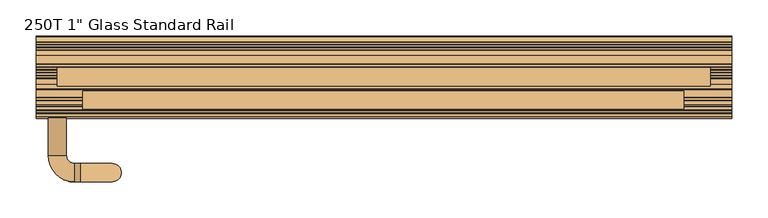
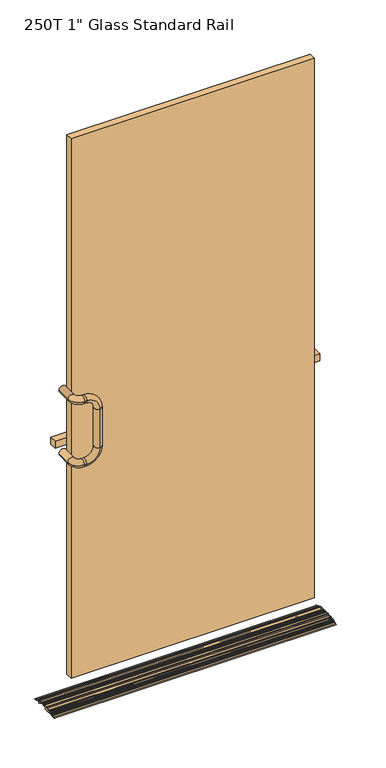
"""IFC4 building model written with IfcOpenShell, lengths in millimetres: door geometry."""

from ifc_helpers import new_model, si_unit, point, frame, origin, place, context, project, spatial, polyline, circle_curve, ellipse_curve, trimmed, outline, extrude, source, transform, mapped, element, save
from ifc_brep_helpers import plane_surface, cylinder_surface, revolved_surface, advanced_brep


def door_1f6f8809(model_context):
    return source(origin(), model_context, "Body", "SolidModel", [
        advanced_brep(
        [(482.6, -56.0018773, 3.232503), (482.6, -57.8173069, 0.00297), (482.6, -52.9111102, 0.6605015), (482.6, -52.9111102, 1.6039432), (482.6, -46.965502, 4.3301985), (482.6, -45.8499102, 3.6144549), (482.6, -45.8499102, 0.0), (482.6, -43.0813102, 0.0), (482.6, -43.0813102, 4.2226083), (482.6, -41.3543822, 3.5815015), (482.6, -39.1697102, 3.5815015), (482.6, -36.7821102, 5.9691015), (482.6, -36.7821102, 8.3567015), (482.6, -33.9472582, 8.3567015), (482.6, -33.2491045, 7.2051859), (482.6, -32.7767326, 3.1751015), (482.6, -27.3254878, 3.1751015), (482.6, -26.8531158, 7.2051859), (482.6, -26.1549621, 8.3567015), (482.6, -23.6757102, 8.3567015), (482.6, -22.8883102, 7.5693015), (482.6, -22.8883102, 0.7875015), (482.6, -22.1009102, 0.0001015), (482.6, -16.5637102, 0.0), (482.6, -16.5637102, 2.7687015), (482.6, -10.2137102, 2.7687015), (482.6, -10.2137102, 0.0), (482.6, -4.6765102, 0.0), (482.6, -3.8891102, 0.7875015), (482.6, -3.8891102, 8.3567015), (482.6, -3.1017102, 9.1441015), (482.6, 2.8752689, 9.1441015), (482.6, 3.6626689, 9.9315015), (482.6, 4.7294689, 9.9315015), (482.6, 5.5168689, 9.1441015), (482.6, 10.7270162, 9.1441015), (482.6, 11.5144162, 9.9315015), (482.6, 12.5812162, 9.9315015), (482.6, 13.3686162, 9.1441015), (482.6, 18.5787635, 9.1441015), (482.6, 19.3661635, 9.9315015), (482.6, 26.1637123, 9.9315015), (482.6, 26.613477, 8.4977963), (482.6, 25.9480674, 3.1751015), (482.6, 30.7056898, 3.1751015), (482.6, 30.7056898, 0.0), (482.6, 32.7376898, 0.0), (482.6, 32.7376898, 5.5373015), (482.6, 32.3312276, 7.3088865), (482.6, 33.3475373, 8.3769366), (482.6, 35.2822455, 7.5557017), (482.6, 35.6993893, 6.5232345), (482.6, 40.7496471, 4.3795272), (482.6, 41.7821143, 4.7966711), (482.6, 42.7641089, 4.3798391), (482.6, 43.1812527, 3.3473719), (482.6, 48.2315106, 1.2036646), (482.6, 49.2639778, 1.6208084), (482.6, 51.5229181, 0.6619452), (482.6, 56.4613134, 9.84e-05), (482.6, 56.4613134, 1.0522594), (482.6, 55.9815515, 1.7770649), (482.6, 49.166473, 4.6698941), (482.6, 48.1340058, 4.2527503), (482.6, 45.188022, 5.5032462), (482.6, 44.7708782, 6.5357134), (482.6, 41.6846095, 7.8457567), (482.6, 40.6521423, 7.4286129), (482.6, 37.7061586, 8.6791088), (482.6, 37.2890147, 9.711576), (482.6, 30.2484898, 12.7001015), (482.6, 18.3612898, 12.7001015), (482.6, 17.5738898, 11.9127015), (482.6, 14.3734898, 11.9127015), (482.6, 13.5860898, 12.7001015), (482.6, 10.5095425, 12.7001015), (482.6, 9.7221425, 11.9127015), (482.6, 6.5217425, 11.9127015), (482.6, 5.7343425, 12.7001015), (482.6, 2.6577952, 12.7001015), (482.6, 1.8703952, 11.9127015), (482.6, -1.3300048, 11.9127015), (482.6, -2.1174048, 12.7001015), (482.6, -10.2137102, 12.7001015), (482.6, -10.2137102, 10.3379015), (482.6, -16.5637102, 10.3379015), (482.6, -17.3511102, 11.1253015), (482.6, -28.1461102, 11.1253015), (482.6, -28.9335102, 10.3379015), (482.6, -32.1339102, 10.3379015), (482.6, -32.9213102, 11.1253015), (482.6, -38.7887102, 11.1253015), (482.6, -40.666302, 10.2643645), (482.6, -41.1255102, 9.5486209), (482.6, -41.1255102, 6.449763), (482.6, -45.4689102, 8.062212), (482.6, -46.3231848, 7.6704992), (482.6, -46.7107366, 6.6265638), (482.6, -49.619888, 5.292623), (482.6, -50.6638234, 5.6801748), (-482.6, -56.0018773, 3.232503), (-482.6, -50.6638234, 5.6801748), (-482.6, -49.619888, 5.292623), (-482.6, -46.7107366, 6.6265638), (-482.6, -46.3231848, 7.6704992), (-482.6, -45.4689102, 8.062212), (-482.6, -41.1255102, 6.449763), (-482.6, -41.1255102, 9.5486209), (-482.6, -40.666302, 10.2643645), (-482.6, -38.7887102, 11.1253015), (-482.6, -32.9213102, 11.1253015), (-482.6, -32.1339102, 10.3379015), (-482.6, -28.9335102, 10.3379015), (-482.6, -28.1461102, 11.1253015), (-482.6, -17.3511102, 11.1253015), (-482.6, -16.5637102, 10.3379015), (-482.6, -10.2137102, 10.3379015), (-482.6, -10.2137102, 12.7001015), (-482.6, -2.1174048, 12.7001015), (-482.6, -1.3300048, 11.9127015), (-482.6, 1.8703952, 11.9127015), (-482.6, 2.6577952, 12.7001015), (-482.6, 5.7343425, 12.7001015), (-482.6, 6.5217425, 11.9127015), (-482.6, 9.7221425, 11.9127015), (-482.6, 10.5095425, 12.7001015), (-482.6, 13.5860898, 12.7001015), (-482.6, 14.3734898, 11.9127015), (-482.6, 17.5738898, 11.9127015), (-482.6, 18.3612898, 12.7001015), (-482.6, 30.2484898, 12.7001015), (-482.6, 37.2890147, 9.711576), (-482.6, 37.7061586, 8.6791088), (-482.6, 40.6521423, 7.4286129), (-482.6, 41.6846095, 7.8457567), (-482.6, 44.7708782, 6.5357134), (-482.6, 45.188022, 5.5032462), (-482.6, 48.1340058, 4.2527503), (-482.6, 49.166473, 4.6698941), (-482.6, 55.9815515, 1.7770649), (-482.6, 56.4612898, 1.0522594), (-482.6, 56.4613134, 9.84e-05), (-482.6, 51.5229181, 0.6619452), (-482.6, 49.2639778, 1.6208084), (-482.6, 48.2315106, 1.2036646), (-482.6, 43.1812527, 3.3473719), (-482.6, 42.7641089, 4.3798391), (-482.6, 41.7821143, 4.7966711), (-482.6, 40.7496471, 4.3795272), (-482.6, 35.6993893, 6.5232345), (-482.6, 35.2822455, 7.5557017), (-482.6, 33.3475373, 8.3769366), (-482.6, 32.3312276, 7.3088865), (-482.6, 32.7376898, 5.5373015), (-482.6, 32.7376898, 0.0), (-482.6, 30.7056898, 0.0), (-482.6, 30.7056898, 3.1751015), (-482.6, 25.9480674, 3.1751015), (-482.6, 26.613477, 8.4977963), (-482.6, 26.1637123, 9.9315015), (-482.6, 19.3661635, 9.9315015), (-482.6, 18.5787635, 9.1441015), (-482.6, 13.3686162, 9.1441015), (-482.6, 12.5812162, 9.9315015), (-482.6, 11.5144162, 9.9315015), (-482.6, 10.7270162, 9.1441015), (-482.6, 5.5168689, 9.1441015), (-482.6, 4.7294689, 9.9315015), (-482.6, 3.6626689, 9.9315015), (-482.6, 2.8752689, 9.1441015), (-482.6, -3.1017102, 9.1441015), (-482.6, -3.8891102, 8.3567015), (-482.6, -3.8891102, 0.7875015), (-482.6, -4.6765102, 0.0001015), (-482.6, -10.2137102, 0.0), (-482.6, -10.2137102, 2.7687015), (-482.6, -16.5637102, 2.7687015), (-482.6, -16.5637102, 0.0), (-482.6, -22.1009102, 0.0), (-482.6, -22.8883102, 0.7875015), (-482.6, -22.8883102, 7.5693015), (-482.6, -23.6757102, 8.3567015), (-482.6, -26.1549621, 8.3567015), (-482.6, -26.8531158, 7.2051859), (-482.6, -27.3254878, 3.1751015), (-482.6, -32.7767326, 3.1751015), (-482.6, -33.2491045, 7.2051859), (-482.6, -33.9472582, 8.3567015), (-482.6, -36.7821102, 8.3567015), (-482.6, -36.7821102, 5.9691015), (-482.6, -39.1697102, 3.5815015), (-482.6, -41.3543822, 3.5815015), (-482.6, -43.0813102, 4.2226083), (-482.6, -43.0813102, 0.0), (-482.6, -45.8499102, 0.0), (-482.6, -45.8499102, 3.6144549), (-482.6, -46.965502, 4.3301985), (-482.6, -52.9111102, 1.6039432), (-482.6, -52.9111102, 0.6605015), (-482.6, -57.8173069, 0.00297)],
        [
            (0, 1, circle_curve(frame((482.6, -54.6891102, 0.3695285), z_axis=(1.0, 0.0, 0.0), x_axis=(0.0, 1.0, 0.0)), 3.1496)),
            (1, 2),
            (2, 3),
            (3, 4),
            (4, 5, circle_curve(frame((482.6, -46.6373102, 3.6144549), z_axis=(-1.0, 0.0, 0.0), x_axis=(0.0, 1.0, 0.0)), 0.7874)),
            (5, 6),
            (6, 7),
            (7, 8),
            (8, 9),
            (9, 10),
            (10, 11, circle_curve(frame((482.6, -39.1697102, 5.9691015), z_axis=(1.0, 0.0, 0.0), x_axis=(0.0, 1.0, 0.0)), 2.3876)),
            (11, 12),
            (12, 13),
            (13, 14, circle_curve(frame((482.6, -33.9472582, 7.5693015), z_axis=(-1.0, 0.0, 0.0), x_axis=(0.0, 1.0, 0.0)), 0.7874)),
            (14, 15, circle_curve(frame((482.6, -30.0511102, 5.5373015), z_axis=(1.0, 0.0, 0.0), x_axis=(0.0, 1.0, 0.0)), 3.6068)),
            (15, 16),
            (16, 17, circle_curve(frame((482.6, -30.0511102, 5.5373015), z_axis=(1.0, 0.0, 0.0), x_axis=(0.0, 1.0, 0.0)), 3.6068)),
            (17, 18, circle_curve(frame((482.6, -26.1549621, 7.5693015), z_axis=(-1.0, 0.0, 0.0), x_axis=(0.0, 1.0, 0.0)), 0.7874)),
            (18, 19),
            (19, 20, circle_curve(frame((482.6, -23.6757102, 7.5693015), z_axis=(-1.0, 0.0, 0.0), x_axis=(0.0, 1.0, 0.0)), 0.7874)),
            (20, 21),
            (21, 22, circle_curve(frame((482.6, -22.1009102, 0.7875015), z_axis=(1.0, 0.0, 0.0), x_axis=(0.0, 1.0, 0.0)), 0.7874)),
            (22, 23),
            (23, 24),
            (24, 25),
            (25, 26),
            (26, 27),
            (27, 28, circle_curve(frame((482.6, -4.6765102, 0.7875015), z_axis=(1.0, 0.0, 0.0), x_axis=(0.0, 1.0, 0.0)), 0.7874)),
            (28, 29),
            (29, 30, circle_curve(frame((482.6, -3.1017102, 8.3567015), z_axis=(-1.0, 0.0, 0.0), x_axis=(0.0, 1.0, 0.0)), 0.7874)),
            (30, 31),
            (31, 32),
            (32, 33),
            (33, 34),
            (34, 35),
            (35, 36),
            (36, 37),
            (37, 38),
            (38, 39),
            (39, 40),
            (40, 41),
            (41, 42, circle_curve(frame((482.6, 26.1637123, 9.1441015), z_axis=(-1.0, 0.0, 0.0), x_axis=(0.0, 1.0, 0.0)), 0.7874)),
            (42, 43, circle_curve(frame((482.6, 28.6736898, 5.5373015), z_axis=(1.0, 0.0, 0.0), x_axis=(0.0, 1.0, 0.0)), 3.6068)),
            (43, 44),
            (44, 45),
            (45, 46),
            (46, 47),
            (47, 48, circle_curve(frame((482.6, 28.6736898, 5.5373015), z_axis=(1.0, 0.0, 0.0), x_axis=(0.0, 1.0, 0.0)), 4.064)),
            (48, 49, circle_curve(frame((482.6, 33.0398756, 7.6521311), z_axis=(-1.0, 0.0, 0.0), x_axis=(0.0, 1.0, 0.0)), 0.7874)),
            (49, 50),
            (50, 51),
            (51, 52),
            (52, 53),
            (53, 54),
            (54, 55),
            (55, 56),
            (56, 57),
            (57, 58),
            (58, 59),
            (59, 60),
            (60, 61, circle_curve(frame((482.6, 55.6738898, 1.0522594), z_axis=(1.0, 0.0, 0.0), x_axis=(0.0, 1.0, 0.0)), 0.7874)),
            (61, 62),
            (62, 63),
            (63, 64),
            (64, 65),
            (65, 66),
            (66, 67),
            (67, 68),
            (68, 69),
            (69, 70),
            (70, 71),
            (71, 72),
            (72, 73),
            (73, 74),
            (74, 75),
            (75, 76),
            (76, 77),
            (77, 78),
            (78, 79),
            (79, 80),
            (80, 81),
            (81, 82),
            (82, 83),
            (83, 84),
            (84, 85, circle_curve(frame((482.6, -13.3887102, 24.0835969), z_axis=(-1.0, 0.0, 0.0), x_axis=(0.0, 1.0, 0.0)), 14.1076138)),
            (85, 86, circle_curve(frame((482.6, -17.3511102, 10.3379015), z_axis=(1.0, 0.0, 0.0), x_axis=(0.0, 1.0, 0.0)), 0.7874)),
            (86, 87),
            (87, 88),
            (88, 89),
            (89, 90),
            (90, 91),
            (91, 92),
            (92, 93, circle_curve(frame((482.6, -40.3381102, 9.5486209), z_axis=(1.0, 0.0, 0.0), x_axis=(0.0, 1.0, 0.0)), 0.7874)),
            (93, 94),
            (94, 95),
            (95, 96),
            (96, 97),
            (97, 98),
            (98, 99),
            (99, 0),
            (100, 101),
            (101, 102),
            (102, 103),
            (103, 104),
            (104, 105),
            (105, 106),
            (106, 107),
            (107, 108, circle_curve(frame((-482.6, -40.3381102, 9.5486209), z_axis=(-1.0, 0.0, 0.0), x_axis=(0.0, 1.0, 0.0)), 0.7874)),
            (108, 109),
            (109, 110),
            (110, 111),
            (111, 112),
            (112, 113),
            (113, 114),
            (114, 115, circle_curve(frame((-482.6, -17.3511102, 10.3379015), z_axis=(-1.0, 0.0, 0.0), x_axis=(0.0, 1.0, 0.0)), 0.7874)),
            (115, 116, circle_curve(frame((-482.6, -13.3887102, 24.0835969), z_axis=(1.0, 0.0, 0.0), x_axis=(0.0, 1.0, 0.0)), 14.1076138)),
            (116, 117),
            (117, 118),
            (118, 119),
            (119, 120),
            (120, 121),
            (121, 122),
            (122, 123),
            (123, 124),
            (124, 125),
            (125, 126),
            (126, 127),
            (127, 128),
            (128, 129),
            (129, 130),
            (130, 131),
            (131, 132),
            (132, 133),
            (133, 134),
            (134, 135),
            (135, 136),
            (136, 137),
            (137, 138),
            (138, 139),
            (139, 140, circle_curve(frame((-482.6, 55.6738898, 1.0522594), z_axis=(-1.0, 0.0, 0.0), x_axis=(0.0, 1.0, 0.0)), 0.7874)),
            (140, 141),
            (141, 142),
            (142, 143),
            (143, 144),
            (144, 145),
            (145, 146),
            (146, 147),
            (147, 148),
            (148, 149),
            (149, 150),
            (150, 151),
            (151, 152, circle_curve(frame((-482.6, 33.0398756, 7.6521311), z_axis=(1.0, 0.0, 0.0), x_axis=(0.0, 1.0, 0.0)), 0.7874)),
            (152, 153, circle_curve(frame((-482.6, 28.6736898, 5.5373015), z_axis=(-1.0, 0.0, 0.0), x_axis=(0.0, 1.0, 0.0)), 4.064)),
            (153, 154),
            (154, 155),
            (155, 156),
            (156, 157),
            (157, 158, circle_curve(frame((-482.6, 28.6736898, 5.5373015), z_axis=(-1.0, 0.0, 0.0), x_axis=(0.0, 1.0, 0.0)), 3.6068)),
            (158, 159, circle_curve(frame((-482.6, 26.1637123, 9.1441015), z_axis=(1.0, 0.0, 0.0), x_axis=(0.0, 1.0, 0.0)), 0.7874)),
            (159, 160),
            (160, 161),
            (161, 162),
            (162, 163),
            (163, 164),
            (164, 165),
            (165, 166),
            (166, 167),
            (167, 168),
            (168, 169),
            (169, 170),
            (170, 171, circle_curve(frame((-482.6, -3.1017102, 8.3567015), z_axis=(1.0, 0.0, 0.0), x_axis=(0.0, 1.0, 0.0)), 0.7874)),
            (171, 172),
            (172, 173, circle_curve(frame((-482.6, -4.6765102, 0.7875015), z_axis=(-1.0, 0.0, 0.0), x_axis=(0.0, 1.0, 0.0)), 0.7874)),
            (173, 174),
            (174, 175),
            (175, 176),
            (176, 177),
            (177, 178),
            (178, 179, circle_curve(frame((-482.6, -22.1009102, 0.7875015), z_axis=(-1.0, 0.0, 0.0), x_axis=(0.0, 1.0, 0.0)), 0.7874)),
            (179, 180),
            (180, 181, circle_curve(frame((-482.6, -23.6757102, 7.5693015), z_axis=(1.0, 0.0, 0.0), x_axis=(0.0, 1.0, 0.0)), 0.7874)),
            (181, 182),
            (182, 183, circle_curve(frame((-482.6, -26.1549621, 7.5693015), z_axis=(1.0, 0.0, 0.0), x_axis=(0.0, 1.0, 0.0)), 0.7874)),
            (183, 184, circle_curve(frame((-482.6, -30.0511102, 5.5373015), z_axis=(-1.0, 0.0, 0.0), x_axis=(0.0, 1.0, 0.0)), 3.6068)),
            (184, 185),
            (185, 186, circle_curve(frame((-482.6, -30.0511102, 5.5373015), z_axis=(-1.0, 0.0, 0.0), x_axis=(0.0, 1.0, 0.0)), 3.6068)),
            (186, 187, circle_curve(frame((-482.6, -33.9472582, 7.5693015), z_axis=(1.0, 0.0, 0.0), x_axis=(0.0, 1.0, 0.0)), 0.7874)),
            (187, 188),
            (188, 189),
            (189, 190, circle_curve(frame((-482.6, -39.1697102, 5.9691015), z_axis=(-1.0, 0.0, 0.0), x_axis=(0.0, 1.0, 0.0)), 2.3876)),
            (190, 191),
            (191, 192),
            (192, 193),
            (193, 194),
            (194, 195),
            (195, 196, circle_curve(frame((-482.6, -46.6373102, 3.6144549), z_axis=(1.0, 0.0, 0.0), x_axis=(0.0, 1.0, 0.0)), 0.7874)),
            (196, 197),
            (197, 198),
            (198, 199),
            (199, 100, circle_curve(frame((-482.6, -54.6891102, 0.3695285), z_axis=(-1.0, 0.0, 0.0), x_axis=(0.0, 1.0, 0.0)), 3.1496)),
            (199, 1),
            (0, 100),
            (198, 2),
            (197, 3),
            (196, 4),
            (195, 5),
            (194, 6),
            (193, 7),
            (192, 8),
            (191, 9),
            (190, 10),
            (189, 11),
            (188, 12),
            (187, 13),
            (186, 14),
            (185, 15),
            (184, 16),
            (183, 17),
            (182, 18),
            (181, 19),
            (180, 20),
            (179, 21),
            (178, 22),
            (177, 23),
            (176, 24),
            (175, 25),
            (174, 26),
            (173, 27),
            (172, 28),
            (171, 29),
            (170, 30),
            (169, 31),
            (168, 32),
            (167, 33),
            (166, 34),
            (165, 35),
            (164, 36),
            (163, 37),
            (162, 38),
            (161, 39),
            (160, 40),
            (159, 41),
            (158, 42),
            (157, 43),
            (156, 44),
            (155, 45),
            (154, 46),
            (153, 47),
            (152, 48),
            (151, 49),
            (150, 50),
            (149, 51),
            (148, 52),
            (147, 53),
            (146, 54),
            (145, 55),
            (144, 56),
            (143, 57),
            (142, 58),
            (141, 59),
            (140, 60),
            (139, 61),
            (138, 62),
            (137, 63),
            (136, 64),
            (135, 65),
            (134, 66),
            (133, 67),
            (132, 68),
            (131, 69),
            (130, 70),
            (129, 71),
            (128, 72),
            (127, 73),
            (126, 74),
            (125, 75),
            (124, 76),
            (123, 77),
            (122, 78),
            (121, 79),
            (120, 80),
            (119, 81),
            (118, 82),
            (117, 83),
            (116, 84),
            (115, 85),
            (114, 86),
            (113, 87),
            (112, 88),
            (111, 89),
            (110, 90),
            (109, 91),
            (108, 92),
            (107, 93),
            (106, 94),
            (105, 95),
            (104, 96),
            (103, 97),
            (102, 98),
            (101, 99),
        ],
        [
            plane_surface(frame((482.6, -51.5395102, 0.3695285), z_axis=(1.0, 0.0, 0.0), x_axis=(0.0, 0.0, -1.0))),
            plane_surface(frame((-482.6, -51.5395102, 0.3695285), z_axis=(-1.0, 0.0, 0.0), x_axis=(0.0, 0.0, 1.0))),
            cylinder_surface(frame((482.6, -54.6891102, 0.3695285), z_axis=(-1.0, 0.0, 0.0), x_axis=(0.0, 1.0, 0.0)), 3.1496),
            plane_surface(frame((-482.6, -57.8173069, 0.00297), z_axis=(0.0, 0.13283298616435907, -0.9911384352282274), x_axis=(1.0, 0.0, 0.0))),
            plane_surface(frame((-482.6, -52.9111102, 0.6605015), z_axis=(0.0, 1.0, 0.0), x_axis=(1.0, 0.0, 0.0))),
            plane_surface(frame((-482.6, -52.9111102, 1.6039432), z_axis=(0.0, 0.4168044055904199, -0.9089961977260503), x_axis=(1.0, 0.0, 0.0))),
            revolved_surface(polyline([(482.6, -45.849910200000004, 3.6144549), (-482.6, -45.849910200000004, 3.6144549)]), (482.6, -46.6373102, 3.6144549), (1.0, 0.0, 0.0)),
            plane_surface(frame((-482.6, -45.8499102, 3.6144549), z_axis=(0.0, -1.0, 0.0), x_axis=(1.0, 0.0, 0.0))),
            plane_surface(frame((-482.6, -45.8499102, 0.0), z_axis=(0.0, 0.0, -1.0), x_axis=(1.0, 0.0, 0.0))),
            plane_surface(frame((-482.6, -43.0813102, 0.0), z_axis=(0.0, 1.0, 0.0), x_axis=(1.0, 0.0, 0.0))),
            plane_surface(frame((-482.6, -43.0813102, 4.2226083), z_axis=(0.0, -0.34803215386348857, -0.9374825971062828), x_axis=(1.0, 0.0, 0.0))),
            plane_surface(frame((-482.6, -41.3543822, 3.5815015), z_axis=(0.0, 0.0, -1.0), x_axis=(1.0, 0.0, 0.0))),
            cylinder_surface(frame((482.6, -39.1697102, 5.9691015), z_axis=(-1.0, 0.0, 0.0), x_axis=(0.0, 1.0, 0.0)), 2.3876),
            plane_surface(frame((-482.6, -36.7821102, 5.9691015), z_axis=(0.0, 1.0, 0.0), x_axis=(1.0, 0.0, 0.0))),
            plane_surface(frame((-482.6, -36.7821102, 8.3567015), z_axis=(0.0, 0.0, -1.0), x_axis=(1.0, 0.0, 0.0))),
            revolved_surface(polyline([(482.6, -33.1598582, 7.5693015), (-482.6, -33.1598582, 7.5693015)]), (482.6, -33.9472582, 7.5693015), (1.0, 0.0, 0.0)),
            cylinder_surface(frame((482.6, -30.0511102, 5.5373015), z_axis=(-1.0, 0.0, 0.0), x_axis=(0.0, 1.0, 0.0)), 3.6068),
            plane_surface(frame((-482.6, -32.7767326, 3.1751015), z_axis=(0.0, 0.0, -1.0), x_axis=(1.0, 0.0, 0.0))),
            revolved_surface(polyline([(482.6, -25.367562099999997, 7.5693015), (-482.6, -25.367562099999997, 7.5693015)]), (482.6, -26.1549621, 7.5693015), (1.0, 0.0, 0.0)),
            plane_surface(frame((-482.6, -26.1549621, 8.3567015), z_axis=(0.0, 0.0, -1.0), x_axis=(1.0, 0.0, 0.0))),
            revolved_surface(polyline([(482.6, -22.8883102, 7.5693015), (-482.6, -22.8883102, 7.5693015)]), (482.6, -23.6757102, 7.5693015), (1.0, 0.0, 0.0)),
            plane_surface(frame((-482.6, -22.8883102, 7.5693015), z_axis=(0.0, -1.0, 0.0), x_axis=(1.0, 0.0, 0.0))),
            cylinder_surface(frame((482.6, -22.1009102, 0.7875015), z_axis=(-1.0, 0.0, 0.0), x_axis=(0.0, 1.0, 0.0)), 0.7874),
            plane_surface(frame((-482.6, -22.1009102, 0.0), z_axis=(0.0, 0.0, -1.0), x_axis=(1.0, 0.0, 0.0))),
            plane_surface(frame((-482.6, -16.5637102, 0.0), z_axis=(0.0, 1.0, 0.0), x_axis=(1.0, 0.0, 0.0))),
            plane_surface(frame((-482.6, -16.5637102, 2.7687015), z_axis=(0.0, 0.0, -1.0), x_axis=(1.0, 0.0, 0.0))),
            plane_surface(frame((-482.6, -10.2137102, 2.7687015), z_axis=(0.0, -1.0, 0.0), x_axis=(1.0, 0.0, 0.0))),
            plane_surface(frame((-482.6, -10.2137102, 0.0), z_axis=(0.0, 0.0, -1.0), x_axis=(1.0, 0.0, 0.0))),
            cylinder_surface(frame((482.6, -4.6765102, 0.7875015), z_axis=(-1.0, 0.0, 0.0), x_axis=(0.0, 1.0, 0.0)), 0.7874),
            plane_surface(frame((-482.6, -3.8891102, 0.7875015), z_axis=(0.0, 1.0, 0.0), x_axis=(1.0, 0.0, 0.0))),
            revolved_surface(polyline([(482.6, -2.3143102, 8.3567015), (-482.6, -2.3143102, 8.3567015)]), (482.6, -3.1017102, 8.3567015), (1.0, 0.0, 0.0)),
            plane_surface(frame((-482.6, -3.1017102, 9.1441015), z_axis=(0.0, 0.0, -1.0), x_axis=(1.0, 0.0, 0.0))),
            plane_surface(frame((-482.6, 2.8752689, 9.1441015), z_axis=(0.0, 0.7071067811858994, -0.7071067811871957), x_axis=(1.0, 0.0, 0.0))),
            plane_surface(frame((-482.6, 3.6626689, 9.9315015), z_axis=(0.0, 0.0, -1.0), x_axis=(1.0, 0.0, 0.0))),
            plane_surface(frame((-482.6, 4.7294689, 9.9315015), z_axis=(0.0, -0.7071067811858999, -0.7071067811871952), x_axis=(1.0, 0.0, 0.0))),
            plane_surface(frame((-482.6, 5.5168689, 9.1441015), z_axis=(0.0, 0.0, -1.0), x_axis=(1.0, 0.0, 0.0))),
            plane_surface(frame((-482.6, 10.7270162, 9.1441015), z_axis=(0.0, 0.7071067811865451, -0.7071067811865499), x_axis=(1.0, 0.0, 0.0))),
            plane_surface(frame((-482.6, 11.5144162, 9.9315015), z_axis=(0.0, 0.0, -1.0), x_axis=(1.0, 0.0, 0.0))),
            plane_surface(frame((-482.6, 12.5812162, 9.9315015), z_axis=(0.0, -0.7071067811858999, -0.7071067811871952), x_axis=(1.0, 0.0, 0.0))),
            plane_surface(frame((-482.6, 13.3686162, 9.1441015), z_axis=(0.0, 0.0, -1.0), x_axis=(1.0, 0.0, 0.0))),
            plane_surface(frame((-482.6, 18.5787635, 9.1441015), z_axis=(0.0, 0.7071067811858994, -0.7071067811871957), x_axis=(1.0, 0.0, 0.0))),
            plane_surface(frame((-482.6, 19.3661635, 9.9315015), z_axis=(0.0, 0.0, -1.0), x_axis=(1.0, 0.0, 0.0))),
            revolved_surface(polyline([(482.6, 26.951112300000002, 9.1441015), (-482.6, 26.951112300000002, 9.1441015)]), (482.6, 26.1637123, 9.1441015), (1.0, 0.0, 0.0)),
            cylinder_surface(frame((482.6, 28.6736898, 5.5373015), z_axis=(-1.0, 0.0, 0.0), x_axis=(0.0, 1.0, 0.0)), 3.6068),
            plane_surface(frame((-482.6, 25.9480674, 3.1751015), z_axis=(0.0, 0.0, -1.0), x_axis=(1.0, 0.0, 0.0))),
            plane_surface(frame((-482.6, 30.7056898, 3.1751015), z_axis=(0.0, -1.0, 0.0), x_axis=(1.0, 0.0, 0.0))),
            plane_surface(frame((-482.6, 30.7056898, 0.0), z_axis=(0.0, 0.0, -1.0), x_axis=(1.0, 0.0, 0.0))),
            plane_surface(frame((-482.6, 32.7376898, 0.0), z_axis=(0.0, 1.0, 0.0), x_axis=(1.0, 0.0, 0.0))),
            cylinder_surface(frame((482.6, 28.6736898, 5.5373015), z_axis=(-1.0, 0.0, 0.0), x_axis=(0.0, 1.0, 0.0)), 4.064),
            revolved_surface(polyline([(482.6, 33.8272756, 7.6521311), (-482.6, 33.8272756, 7.6521311)]), (482.6, 33.0398756, 7.6521311), (1.0, 0.0, 0.0)),
            plane_surface(frame((-482.6, 33.3475373, 8.3769366), z_axis=(0.0, -0.3907311284894216, -0.9205048534523776), x_axis=(1.0, 0.0, 0.0))),
            plane_surface(frame((-482.6, 35.2822455, 7.5557017), z_axis=(0.0, -0.9271838545667257, -0.37460659341606467), x_axis=(1.0, 0.0, 0.0))),
            plane_surface(frame((-482.6, 35.6993893, 6.5232345), z_axis=(0.0, -0.39073112848902, -0.9205048534525481), x_axis=(1.0, 0.0, 0.0))),
            plane_surface(frame((-482.6, 40.7496471, 4.3795272), z_axis=(0.0, 0.3746065934149557, -0.9271838545671738), x_axis=(1.0, 0.0, 0.0))),
            plane_surface(frame((-482.6, 41.7821143, 4.7966711), z_axis=(0.0, -0.3907311284888004, -0.9205048534526413), x_axis=(1.0, 0.0, 0.0))),
            plane_surface(frame((-482.6, 42.7641089, 4.3798391), z_axis=(0.0, -0.9271838545667251, -0.3746065934160663), x_axis=(1.0, 0.0, 0.0))),
            plane_surface(frame((-482.6, 43.1812527, 3.3473719), z_axis=(0.0, -0.39073112848946623, -0.9205048534523587), x_axis=(1.0, 0.0, 0.0))),
            plane_surface(frame((-482.6, 48.2315106, 1.2036646), z_axis=(0.0, 0.3746065934171786, -0.9271838545662757), x_axis=(1.0, 0.0, 0.0))),
            plane_surface(frame((-482.6, 49.2639778, 1.6208084), z_axis=(0.0, -0.3907311284899537, -0.9205048534521517), x_axis=(1.0, 0.0, 0.0))),
            plane_surface(frame((-482.6, 51.5229181, 0.6619452), z_axis=(0.0, -0.13283298616442385, -0.9911384352282188), x_axis=(1.0, 0.0, 0.0))),
            plane_surface(frame((-482.6, 56.4613134, 9.84e-05), z_axis=(0.0, 1.0, 0.0), x_axis=(1.0, 0.0, 0.0))),
            cylinder_surface(frame((482.6, 55.6738898, 1.0522594), z_axis=(-1.0, 0.0, 0.0), x_axis=(0.0, 1.0, 0.0)), 0.7874),
            plane_surface(frame((-482.6, 55.9815515, 1.7770649), z_axis=(0.0, 0.39073112848899777, 0.9205048534525575), x_axis=(1.0, 0.0, 0.0))),
            plane_surface(frame((-482.6, 49.166473, 4.6698941), z_axis=(0.0, -0.37460659341495345, 0.9271838545671747), x_axis=(1.0, 0.0, 0.0))),
            plane_surface(frame((-482.6, 48.1340058, 4.2527503), z_axis=(0.0, 0.3907311284894011, 0.9205048534523863), x_axis=(1.0, 0.0, 0.0))),
            plane_surface(frame((-482.6, 45.188022, 5.5032462), z_axis=(0.0, 0.9271838545667257, 0.37460659341606467), x_axis=(1.0, 0.0, 0.0))),
            plane_surface(frame((-482.6, 44.7708782, 6.5357134), z_axis=(0.0, 0.390731128489316, 0.9205048534524225), x_axis=(1.0, 0.0, 0.0))),
            plane_surface(frame((-482.6, 41.6846095, 7.8457567), z_axis=(0.0, -0.37460659341718167, 0.9271838545662745), x_axis=(1.0, 0.0, 0.0))),
            plane_surface(frame((-482.6, 40.6521423, 7.4286129), z_axis=(0.0, 0.39073112848940333, 0.9205048534523854), x_axis=(1.0, 0.0, 0.0))),
            plane_surface(frame((-482.6, 37.7061586, 8.6791088), z_axis=(0.0, 0.9271838545667257, 0.37460659341606506), x_axis=(1.0, 0.0, 0.0))),
            plane_surface(frame((-482.6, 37.2890147, 9.711576), z_axis=(0.0, 0.39073112848944413, 0.9205048534523681), x_axis=(1.0, 0.0, 0.0))),
            plane_surface(frame((-482.6, 30.2484898, 12.7001015), z_axis=(0.0, 0.0, 1.0), x_axis=(1.0, 0.0, 0.0))),
            plane_surface(frame((-482.6, 18.3612898, 12.7001015), z_axis=(0.0, -0.7071067811871952, 0.7071067811858999), x_axis=(1.0, 0.0, 0.0))),
            plane_surface(frame((-482.6, 17.5738898, 11.9127015), z_axis=(0.0, 0.0, 1.0), x_axis=(1.0, 0.0, 0.0))),
            plane_surface(frame((-482.6, 14.3734898, 11.9127015), z_axis=(0.0, 0.707106781187197, 0.707106781185898), x_axis=(1.0, 0.0, 0.0))),
            plane_surface(frame((-482.6, 13.5860898, 12.7001015), z_axis=(0.0, 0.0, 1.0), x_axis=(1.0, 0.0, 0.0))),
            plane_surface(frame((-482.6, 10.5095425, 12.7001015), z_axis=(0.0, -0.7071067811871952, 0.7071067811858999), x_axis=(1.0, 0.0, 0.0))),
            plane_surface(frame((-482.6, 9.7221425, 11.9127015), z_axis=(0.0, 0.0, 1.0), x_axis=(1.0, 0.0, 0.0))),
            plane_surface(frame((-482.6, 6.5217425, 11.9127015), z_axis=(0.0, 0.7071067811871962, 0.7071067811858989), x_axis=(1.0, 0.0, 0.0))),
            plane_surface(frame((-482.6, 5.7343425, 12.7001015), z_axis=(0.0, 0.0, 1.0), x_axis=(1.0, 0.0, 0.0))),
            plane_surface(frame((-482.6, 2.6577952, 12.7001015), z_axis=(0.0, -0.7071067811878458, 0.7071067811852494), x_axis=(1.0, 0.0, 0.0))),
            plane_surface(frame((-482.6, 1.8703952, 11.9127015), z_axis=(0.0, 0.0, 1.0), x_axis=(1.0, 0.0, 0.0))),
            plane_surface(frame((-482.6, -1.3300048, 11.9127015), z_axis=(0.0, 0.7071067811871962, 0.7071067811858989), x_axis=(1.0, 0.0, 0.0))),
            plane_surface(frame((-482.6, -2.1174048, 12.7001015), z_axis=(0.0, 0.0, 1.0), x_axis=(1.0, 0.0, 0.0))),
            plane_surface(frame((-482.6, -10.2137102, 12.7001015), z_axis=(0.0, -1.0, 0.0), x_axis=(1.0, 0.0, 0.0))),
            revolved_surface(polyline([(482.6, 0.7189035999999991, 24.0835969), (-482.6, 0.7189035999999991, 24.0835969)]), (482.6, -13.3887102, 24.0835969), (1.0, 0.0, 0.0)),
            cylinder_surface(frame((482.6, -17.3511102, 10.3379015), z_axis=(-1.0, 0.0, 0.0), x_axis=(0.0, 1.0, 0.0)), 0.7874),
            plane_surface(frame((-482.6, -17.3511102, 11.1253015), z_axis=(0.0, 0.0, 1.0), x_axis=(1.0, 0.0, 0.0))),
            plane_surface(frame((-482.6, -28.1461102, 11.1253015), z_axis=(0.0, -0.707106781185899, 0.7071067811871962), x_axis=(1.0, 0.0, 0.0))),
            plane_surface(frame((-482.6, -28.9335102, 10.3379015), z_axis=(0.0, 0.0, 1.0), x_axis=(1.0, 0.0, 0.0))),
            plane_surface(frame((-482.6, -32.1339102, 10.3379015), z_axis=(0.0, 0.7071067811858999, 0.7071067811871952), x_axis=(1.0, 0.0, 0.0))),
            plane_surface(frame((-482.6, -32.9213102, 11.1253015), z_axis=(0.0, 0.0, 1.0), x_axis=(1.0, 0.0, 0.0))),
            plane_surface(frame((-482.6, -38.7887102, 11.1253015), z_axis=(0.0, -0.4168044055898942, 0.9089961977262915), x_axis=(1.0, 0.0, 0.0))),
            cylinder_surface(frame((482.6, -40.3381102, 9.5486209), z_axis=(-1.0, 0.0, 0.0), x_axis=(0.0, 1.0, 0.0)), 0.7874),
            plane_surface(frame((-482.6, -41.1255102, 9.5486209), z_axis=(0.0, -1.0, 0.0), x_axis=(1.0, 0.0, 0.0))),
            plane_surface(frame((-482.6, -41.1255102, 6.449763), z_axis=(0.0, 0.34803215386352576, 0.9374825971062691), x_axis=(1.0, 0.0, 0.0))),
            plane_surface(frame((-482.6, -45.4689102, 8.062212), z_axis=(0.0, -0.41680440558842324, 0.9089961977269658), x_axis=(1.0, 0.0, 0.0))),
            plane_surface(frame((-482.6, -46.3231848, 7.6704992), z_axis=(0.0, -0.9374825971060472, 0.3480321538641233), x_axis=(1.0, 0.0, 0.0))),
            plane_surface(frame((-482.6, -46.7107366, 6.6265638), z_axis=(0.0, -0.41680440559001053, 0.9089961977262381), x_axis=(1.0, 0.0, 0.0))),
            plane_surface(frame((-482.6, -49.619888, 5.292623), z_axis=(0.0, 0.3480321538633442, 0.9374825971063365), x_axis=(1.0, 0.0, 0.0))),
            plane_surface(frame((-482.6, -50.6638234, 5.6801748), z_axis=(0.0, -0.41680440559015, 0.9089961977261741), x_axis=(1.0, 0.0, 0.0))),
        ],
        [
            (0, [[1, 2, 3, 4, 5, 6, 7, 8, 9, 10, 11, 12, 13, 14, 15, 16, 17, 18, 19, 20, 21, 22, 23, 24, 25, 26, 27, 28, 29, 30, 31, 32, 33, 34, 35, 36, 37, 38, 39, 40, 41, 42, 43, 44, 45, 46, 47, 48, 49, 50, 51, 52, 53, 54, 55, 56, 57, 58, 59, 60, 61, 62, 63, 64, 65, 66, 67, 68, 69, 70, 71, 72, 73, 74, 75, 76, 77, 78, 79, 80, 81, 82, 83, 84, 85, 86, 87, 88, 89, 90, 91, 92, 93, 94, 95, 96, 97, 98, 99, 100]]),
            (1, [[101, 102, 103, 104, 105, 106, 107, 108, 109, 110, 111, 112, 113, 114, 115, 116, 117, 118, 119, 120, 121, 122, 123, 124, 125, 126, 127, 128, 129, 130, 131, 132, 133, 134, 135, 136, 137, 138, 139, 140, 141, 142, 143, 144, 145, 146, 147, 148, 149, 150, 151, 152, 153, 154, 155, 156, 157, 158, 159, 160, 161, 162, 163, 164, 165, 166, 167, 168, 169, 170, 171, 172, 173, 174, 175, 176, 177, 178, 179, 180, 181, 182, 183, 184, 185, 186, 187, 188, 189, 190, 191, 192, 193, 194, 195, 196, 197, 198, 199, 200]]),
            (2, [[201, -1, 202, -200]]),
            (3, [[203, -2, -201, -199]]),
            (4, [[204, -3, -203, -198]]),
            (5, [[205, -4, -204, -197]]),
            (6, [[206, -5, -205, -196]]),
            (7, [[207, -6, -206, -195]]),
            (8, [[208, -7, -207, -194]]),
            (9, [[209, -8, -208, -193]]),
            (10, [[210, -9, -209, -192]]),
            (11, [[211, -10, -210, -191]]),
            (12, [[212, -11, -211, -190]]),
            (13, [[213, -12, -212, -189]]),
            (14, [[214, -13, -213, -188]]),
            (15, [[215, -14, -214, -187]]),
            (16, [[216, -15, -215, -186]]),
            (17, [[217, -16, -216, -185]]),
            (16, [[218, -17, -217, -184]]),
            (18, [[219, -18, -218, -183]]),
            (19, [[220, -19, -219, -182]]),
            (20, [[221, -20, -220, -181]]),
            (21, [[222, -21, -221, -180]]),
            (22, [[223, -22, -222, -179]]),
            (23, [[224, -23, -223, -178]]),
            (24, [[225, -24, -224, -177]]),
            (25, [[226, -25, -225, -176]]),
            (26, [[227, -26, -226, -175]]),
            (27, [[228, -27, -227, -174]]),
            (28, [[229, -28, -228, -173]]),
            (29, [[230, -29, -229, -172]]),
            (30, [[231, -30, -230, -171]]),
            (31, [[232, -31, -231, -170]]),
            (32, [[233, -32, -232, -169]]),
            (33, [[234, -33, -233, -168]]),
            (34, [[235, -34, -234, -167]]),
            (35, [[236, -35, -235, -166]]),
            (36, [[237, -36, -236, -165]]),
            (37, [[238, -37, -237, -164]]),
            (38, [[239, -38, -238, -163]]),
            (39, [[240, -39, -239, -162]]),
            (40, [[241, -40, -240, -161]]),
            (41, [[242, -41, -241, -160]]),
            (42, [[243, -42, -242, -159]]),
            (43, [[244, -43, -243, -158]]),
            (44, [[245, -44, -244, -157]]),
            (45, [[246, -45, -245, -156]]),
            (46, [[247, -46, -246, -155]]),
            (47, [[248, -47, -247, -154]]),
            (48, [[249, -48, -248, -153]]),
            (49, [[250, -49, -249, -152]]),
            (50, [[251, -50, -250, -151]]),
            (51, [[252, -51, -251, -150]]),
            (52, [[253, -52, -252, -149]]),
            (53, [[254, -53, -253, -148]]),
            (54, [[255, -54, -254, -147]]),
            (55, [[256, -55, -255, -146]]),
            (56, [[257, -56, -256, -145]]),
            (57, [[258, -57, -257, -144]]),
            (58, [[259, -58, -258, -143]]),
            (59, [[260, -59, -259, -142]]),
            (60, [[261, -60, -260, -141]]),
            (61, [[262, -61, -261, -140]]),
            (62, [[263, -62, -262, -139]]),
            (63, [[264, -63, -263, -138]]),
            (64, [[265, -64, -264, -137]]),
            (65, [[266, -65, -265, -136]]),
            (66, [[267, -66, -266, -135]]),
            (67, [[268, -67, -267, -134]]),
            (68, [[269, -68, -268, -133]]),
            (69, [[270, -69, -269, -132]]),
            (70, [[271, -70, -270, -131]]),
            (71, [[272, -71, -271, -130]]),
            (72, [[273, -72, -272, -129]]),
            (73, [[274, -73, -273, -128]]),
            (74, [[275, -74, -274, -127]]),
            (75, [[276, -75, -275, -126]]),
            (76, [[277, -76, -276, -125]]),
            (77, [[278, -77, -277, -124]]),
            (78, [[279, -78, -278, -123]]),
            (79, [[280, -79, -279, -122]]),
            (80, [[281, -80, -280, -121]]),
            (81, [[282, -81, -281, -120]]),
            (82, [[283, -82, -282, -119]]),
            (83, [[284, -83, -283, -118]]),
            (84, [[285, -84, -284, -117]]),
            (85, [[286, -85, -285, -116]]),
            (86, [[287, -86, -286, -115]]),
            (87, [[288, -87, -287, -114]]),
            (88, [[289, -88, -288, -113]]),
            (89, [[290, -89, -289, -112]]),
            (90, [[291, -90, -290, -111]]),
            (91, [[292, -91, -291, -110]]),
            (92, [[293, -92, -292, -109]]),
            (93, [[294, -93, -293, -108]]),
            (94, [[295, -94, -294, -107]]),
            (95, [[296, -95, -295, -106]]),
            (96, [[297, -96, -296, -105]]),
            (97, [[298, -97, -297, -104]]),
            (98, [[299, -98, -298, -103]]),
            (99, [[300, -99, -299, -102]]),
            (100, [[-202, -100, -300, -101]]),
        ],
    ),
        advanced_brep(
        [(-465.9311297, -57.15, 1181.1), (-440.5313703, -57.15, 1181.1), (-465.9311297, -57.15, 952.5), (-440.5313703, -57.15, 952.5), (-440.5313703, -109.4147494, 1181.1), (-465.9311297, -109.4147494, 1181.1), (-429.2958791, -120.6502407, 1181.1), (-429.2958791, -146.05, 1181.1), (-421.4811297, -120.6502407, 1181.1), (-421.4811297, -146.05, 1181.1), (-377.0311297, -120.6502407, 1136.65), (-377.0311297, -146.05, 1136.65), (-377.0311297, -120.6502407, 996.95), (-377.0311297, -146.05, 996.95), (-421.4811297, -120.6502407, 952.5), (-421.4811297, -146.05, 952.5), (-429.2958791, -120.6502407, 952.5), (-429.2958791, -146.05, 952.5), (-440.5313703, -109.4147494, 952.5), (-465.9311297, -109.4147494, 952.5)],
        [
            (0, 1, circle_curve(frame((-453.23125, -57.15, 1181.1), z_axis=(0.0, 1.0, 0.0), x_axis=(-1.0, 0.0, 0.0)), 12.6998797)),
            (1, 0, circle_curve(frame((-453.23125, -57.15, 1181.1), z_axis=(0.0, 1.0, 0.0), x_axis=(-1.0, 0.0, 0.0)), 12.6998797)),
            (2, 3, circle_curve(frame((-453.23125, -57.15, 952.5), z_axis=(0.0, 1.0, 0.0), x_axis=(-1.0, 0.0, 0.0)), 12.6998797)),
            (3, 2, circle_curve(frame((-453.23125, -57.15, 952.5), z_axis=(0.0, 1.0, 0.0), x_axis=(-1.0, 0.0, 0.0)), 12.6998797)),
            (1, 4),
            (4, 5, circle_curve(frame((-453.23125, -109.4147494, 1181.1), z_axis=(0.0, 1.0, 0.0), x_axis=(-1.0, 0.0, 0.0)), 12.6998797)),
            (5, 0),
            (5, 4, circle_curve(frame((-453.23125, -109.4147494, 1181.1), z_axis=(0.0, 1.0, 0.0), x_axis=(-1.0, 0.0, 0.0)), 12.6998797)),
            (6, 7, circle_curve(frame((-429.2958791, -133.3501203, 1181.1), z_axis=(-1.0, 0.0, 0.0), x_axis=(0.0, -1.0, 0.0)), 12.6998797)),
            (7, 5, circle_curve(frame((-429.2958791, -109.4147494, 1181.1), z_axis=(0.0, 0.0, -1.0), x_axis=(-1.0, 0.0, 0.0)), 36.6352506)),
            (4, 6, circle_curve(frame((-429.2958791, -109.4147494, 1181.1), z_axis=(0.0, 0.0, 1.0), x_axis=(-1.0, 0.0, 0.0)), 11.2354913)),
            (7, 6, circle_curve(frame((-429.2958791, -133.3501203, 1181.1), z_axis=(-1.0, 0.0, 0.0), x_axis=(0.0, -1.0, 0.0)), 12.6998797)),
            (6, 8),
            (8, 9, circle_curve(frame((-421.4811297, -133.3501203, 1181.1), z_axis=(-1.0, 0.0, 0.0), x_axis=(0.0, -1.0, 0.0)), 12.6998797)),
            (9, 7),
            (9, 8, circle_curve(frame((-421.4811297, -133.3501203, 1181.1), z_axis=(-1.0, 0.0, 0.0), x_axis=(0.0, -1.0, 0.0)), 12.6998797)),
            (10, 11, circle_curve(frame((-377.0311297, -133.3501203, 1136.65), z_axis=(0.0, 0.0, 1.0), x_axis=(0.0, -1.0, 0.0)), 12.6998797)),
            (11, 9, circle_curve(frame((-421.4811297, -146.05, 1136.65), z_axis=(0.0, -1.0, 0.0), x_axis=(0.0, 0.0, 1.0)), 44.45)),
            (8, 10, circle_curve(frame((-421.4811297, -120.6502407, 1136.65), z_axis=(0.0, 1.0, 0.0), x_axis=(0.0, 0.0, 1.0)), 44.45)),
            (11, 10, circle_curve(frame((-377.0311297, -133.3501203, 1136.65), z_axis=(0.0, 0.0, 1.0), x_axis=(0.0, -1.0, 0.0)), 12.6998797)),
            (10, 12),
            (12, 13, circle_curve(frame((-377.0311297, -133.3501203, 996.95), z_axis=(0.0, 0.0, 1.0), x_axis=(0.0, -1.0, 0.0)), 12.6998797)),
            (13, 11),
            (13, 12, circle_curve(frame((-377.0311297, -133.3501203, 996.95), z_axis=(0.0, 0.0, 1.0), x_axis=(0.0, -1.0, 0.0)), 12.6998797)),
            (14, 15, circle_curve(frame((-421.4811297, -133.3501203, 952.5), z_axis=(1.0, 0.0, 0.0), x_axis=(0.0, -1.0, 0.0)), 12.6998797)),
            (15, 13, circle_curve(frame((-421.4811297, -146.05, 996.95), z_axis=(0.0, -1.0, 0.0), x_axis=(1.0, 0.0, 0.0)), 44.45)),
            (12, 14, circle_curve(frame((-421.4811297, -120.6502407, 996.95), z_axis=(0.0, 1.0, 0.0), x_axis=(1.0, 0.0, 0.0)), 44.45)),
            (15, 14, circle_curve(frame((-421.4811297, -133.3501203, 952.5), z_axis=(1.0, 0.0, 0.0), x_axis=(0.0, -1.0, 0.0)), 12.6998797)),
            (14, 16),
            (16, 17, circle_curve(frame((-429.2958791, -133.3501203, 952.5), z_axis=(1.0, 0.0, 0.0), x_axis=(0.0, -1.0, 0.0)), 12.6998797)),
            (17, 15),
            (17, 16, circle_curve(frame((-429.2958791, -133.3501203, 952.5), z_axis=(1.0, 0.0, 0.0), x_axis=(0.0, -1.0, 0.0)), 12.6998797)),
            (18, 19, circle_curve(frame((-453.23125, -109.4147494, 952.5), z_axis=(0.0, -1.0, 0.0), x_axis=(-1.0, 0.0, 0.0)), 12.6998797)),
            (19, 17, circle_curve(frame((-429.2958791, -109.4147494, 952.5), z_axis=(0.0, 0.0, 1.0), x_axis=(0.0, -1.0, 0.0)), 36.6352506)),
            (16, 18, circle_curve(frame((-429.2958791, -109.4147494, 952.5), z_axis=(0.0, 0.0, -1.0), x_axis=(0.0, -1.0, 0.0)), 11.2354913)),
            (19, 18, circle_curve(frame((-453.23125, -109.4147494, 952.5), z_axis=(0.0, -1.0, 0.0), x_axis=(-1.0, 0.0, 0.0)), 12.6998797)),
            (18, 3),
            (2, 19),
        ],
        [
            plane_surface(frame((-465.9311297, -57.15, 1181.1), z_axis=(0.0, 1.0, 0.0), x_axis=(0.0, 0.0, 1.0))),
            plane_surface(frame((-465.9311297, -57.15, 952.5), z_axis=(0.0, 1.0, 0.0), x_axis=(0.0, 0.0, -1.0))),
            cylinder_surface(frame((-453.23125, -57.15, 1181.1), z_axis=(0.0, 1.0, 0.0), x_axis=(-1.0, 0.0, 0.0)), 12.6998797),
            revolved_surface(trimmed(ellipse_curve(frame((-453.23125, -109.4147494, 1181.1), z_axis=(0.0, -1.0, 0.0), x_axis=(-1.0, 0.0, 0.0)), 12.6998797, 12.6998797), [point((-465.9311297, -109.4147494, 1181.1))], [point((-440.5313703, -109.4147494, 1181.1))], True, "CARTESIAN"), (-429.2958791, -109.4147494, 1181.1), (0.0, 0.0, -1.0)),
            revolved_surface(trimmed(ellipse_curve(frame((-453.23125, -109.4147494, 1181.1), z_axis=(0.0, -1.0, 0.0), x_axis=(-1.0, 0.0, 0.0)), 12.6998797, 12.6998797), [point((-440.5313703, -109.4147494, 1181.1))], [point((-465.9311297, -109.4147494, 1181.1))], True, "CARTESIAN"), (-429.2958791, -109.4147494, 1181.1), (0.0, 0.0, -1.0)),
            cylinder_surface(frame((-429.2958791, -133.3501203, 1181.1), z_axis=(-1.0, 0.0, 0.0), x_axis=(0.0, -1.0, 0.0)), 12.6998797),
            revolved_surface(trimmed(ellipse_curve(frame((-421.4811297, -133.3501203, 1181.1), z_axis=(1.0, 0.0, 0.0), x_axis=(0.0, -1.0, 0.0)), 12.6998797, 12.6998797), [point((-421.4811297, -146.05, 1181.1))], [point((-421.4811297, -120.6502407, 1181.1))], True, "CARTESIAN"), (-421.4811297, -133.35, 1136.65), (0.0, -1.0, 0.0)),
            revolved_surface(trimmed(ellipse_curve(frame((-421.4811297, -133.3501203, 1181.1), z_axis=(1.0, 0.0, 0.0), x_axis=(0.0, -1.0, 0.0)), 12.6998797, 12.6998797), [point((-421.4811297, -120.6502407, 1181.1))], [point((-421.4811297, -146.05, 1181.1))], True, "CARTESIAN"), (-421.4811297, -133.35, 1136.65), (0.0, -1.0, 0.0)),
            cylinder_surface(frame((-377.0311297, -133.3501203, 1136.65), z_axis=(0.0, 0.0, 1.0), x_axis=(0.0, -1.0, 0.0)), 12.6998797),
            revolved_surface(trimmed(ellipse_curve(frame((-377.0311297, -133.3501203, 996.95), z_axis=(0.0, 0.0, -1.0), x_axis=(0.0, -1.0, 0.0)), 12.6998797, 12.6998797), [point((-377.0311297, -146.05, 996.95))], [point((-377.0311297, -120.6502407, 996.95))], True, "CARTESIAN"), (-421.4811297, -133.35, 996.95), (0.0, -1.0, 0.0)),
            revolved_surface(trimmed(ellipse_curve(frame((-377.0311297, -133.3501203, 996.95), z_axis=(0.0, 0.0, -1.0), x_axis=(0.0, -1.0, 0.0)), 12.6998797, 12.6998797), [point((-377.0311297, -120.6502407, 996.95))], [point((-377.0311297, -146.05, 996.95))], True, "CARTESIAN"), (-421.4811297, -133.35, 996.95), (0.0, -1.0, 0.0)),
            cylinder_surface(frame((-421.4811297, -133.3501203, 952.5), z_axis=(1.0, 0.0, 0.0), x_axis=(0.0, -1.0, 0.0)), 12.6998797),
            revolved_surface(trimmed(ellipse_curve(frame((-429.2958791, -133.3501203, 952.5), z_axis=(-1.0, 0.0, 0.0), x_axis=(0.0, -1.0, 0.0)), 12.6998797, 12.6998797), [point((-429.2958791, -146.05, 952.5))], [point((-429.2958791, -120.6502407, 952.5))], True, "CARTESIAN"), (-429.2958791, -109.4147494, 952.5), (0.0, 0.0, 1.0)),
            revolved_surface(trimmed(ellipse_curve(frame((-429.2958791, -133.3501203, 952.5), z_axis=(-1.0, 0.0, 0.0), x_axis=(0.0, -1.0, 0.0)), 12.6998797, 12.6998797), [point((-429.2958791, -120.6502407, 952.5))], [point((-429.2958791, -146.05, 952.5))], True, "CARTESIAN"), (-429.2958791, -109.4147494, 952.5), (0.0, 0.0, 1.0)),
            cylinder_surface(frame((-453.23125, -109.4147494, 952.5), z_axis=(0.0, -1.0, 0.0), x_axis=(-1.0, 0.0, 0.0)), 12.6998797),
        ],
        [
            (0, [[1, 2]]),
            (1, [[3, 4]]),
            (2, [[5, 6, 7, -2]]),
            (2, [[-7, 8, -5, -1]]),
            (3, [[9, 10, -6, 11]]),
            (4, [[12, -11, -8, -10]]),
            (5, [[13, 14, 15, -9]]),
            (5, [[-15, 16, -13, -12]]),
            (6, [[17, 18, -14, 19]]),
            (7, [[20, -19, -16, -18]]),
            (8, [[21, 22, 23, -17]]),
            (8, [[-23, 24, -21, -20]]),
            (9, [[25, 26, -22, 27]]),
            (10, [[28, -27, -24, -26]]),
            (11, [[29, 30, 31, -25]]),
            (11, [[-31, 32, -29, -28]]),
            (12, [[33, 34, -30, 35]]),
            (13, [[36, -35, -32, -34]]),
            (14, [[37, -3, 38, -33]]),
            (14, [[-38, -4, -37, -36]]),
        ],
    ),
        extrude(outline(polyline([(415.925, -45.24375), (-417.5125, -45.24375), (-417.5125, -19.84375), (415.925, -19.84375), (415.925, -45.24375)])), frame((0.0, 0.0, 114.3), z_axis=(0.0, 0.0, 1.0), x_axis=(1.0, 0.0, 0.0)), (0.0, 0.0, 1.0), 1952.625),
        extrude(outline(polyline([(-453.23125, 12.7), (452.4375, 12.7), (452.4375, -12.7), (-453.23125, -12.7), (-453.23125, 12.7)])), frame((0.0, 0.0, 939.8), z_axis=(0.0, 0.0, 1.0), x_axis=(1.0, 0.0, 0.0)), (0.0, 0.0, 1.0), 25.3998797),
    ])


if __name__ == "__main__":
    model = new_model("IFC4")
    model_context = context("Model", 3, world=origin())
    ifc_project = project(units=[si_unit("LENGTHUNIT", "METRE", prefix="MILLI")], contexts=[model_context])
    site = spatial("IfcSite", under=ifc_project)
    building = spatial("IfcBuilding", under=site)
    placement = place(None, origin())
    door_shape = door_1f6f8809(model_context)
    element("IfcDoor", 1, ObjectType="250T 1\" Glass Standard Rail", at=placement, inside=building, context=model_context, shape_type="MappedRepresentation", body=[
        mapped(door_shape, transform((0.0, 0.0, 0.0), x_axis=(1.0, 0.0, 0.0), y_axis=(0.0, 1.0, 0.0), z_axis=(0.0, 0.0, 1.0))),
    ])
    save(model, "model.ifc")
